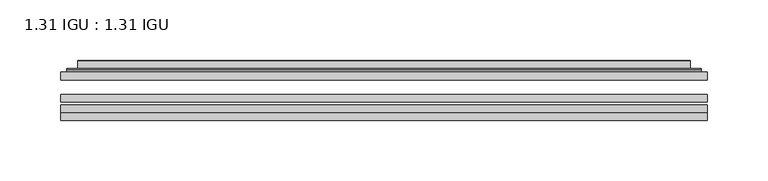
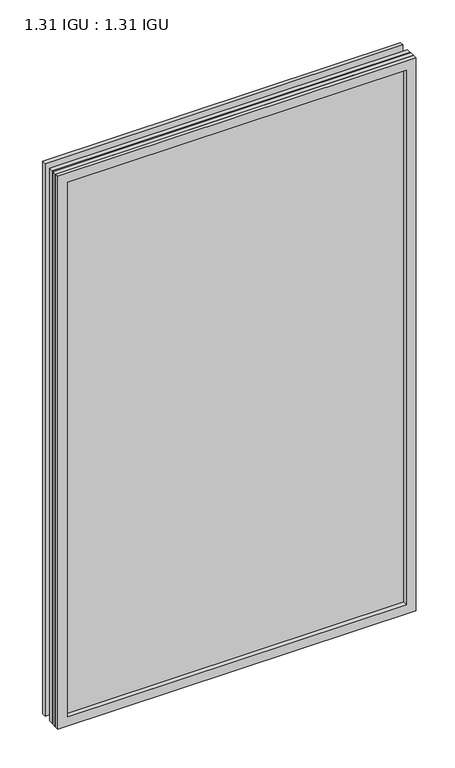
"""IFC4 building model written with IfcOpenShell, lengths in millimetres: plate geometry, 1.31 IGU : 1.31 IGU."""

from ifc_helpers import new_model, si_unit, frame, origin, place, context, project, spatial, polyline, ellipse_curve, outline, extrude, faceted_brep, source, transform, mapped, element, save
from ifc_brep_helpers import plane_surface, cylinder_surface, advanced_brep


def plate_1_31_igu_1_31_igu_18c5a5cc(model_context):
    return source(origin(), model_context, "Body", "SolidModel", [
        extrude(outline(polyline([(266.7139037, -63.2975937), (266.7139037, -69.6475938), (-266.6997287, -69.6475938), (-266.6997287, -63.2975937), (266.7139037, -63.2975937)])), frame((0.0, 0.0, -14.2875), z_axis=(0.0, 0.0, 1.0), x_axis=(1.0, 0.0, 0.0)), (0.0, 0.0, 1.0), 869.9537979),
        extrude(outline(polyline([(-266.6997287, -78.2835938), (-266.6997287, -71.9330887), (266.7139037, -71.9330887), (266.7139037, -78.2835938), (-266.6997287, -78.2835938)])), frame((0.0, 0.0, -14.2875), z_axis=(0.0, 0.0, 1.0), x_axis=(1.0, 0.0, 0.0)), (0.0, 0.0, 1.0), 869.9537979),
        extrude(outline(polyline([(266.7139037, -44.9587937), (266.7139037, -51.3087938), (-266.6997287, -51.3087938), (-266.6997287, -44.9587937), (266.7139037, -44.9587937)])), frame((0.0, 0.0, -14.2875), z_axis=(0.0, 0.0, 1.0), x_axis=(1.0, 0.0, 0.0)), (0.0, 0.0, 1.0), 869.9537979),
        faceted_brep([(-266.7124287, -84.6335937, 855.6752), (-266.7124287, -78.2835937, 855.6752), (-266.7124287, -78.2835937, -14.3002), (-266.7124287, -84.6335937, -14.3002), (266.7124287, -78.2835937, -14.3002), (266.7124287, -84.6335937, -14.3002), (266.7124287, -78.2835937, 855.6752), (266.7124287, -84.6335937, 855.6752), (-251.5144846, -78.2835937, 0.8977441), (251.5144846, -78.2835937, 0.8977441), (251.5144846, -78.2835937, 840.4772559), (-251.5144846, -78.2835937, 840.4772559), (-252.4069189, -84.6335937, 841.3696902), (252.4069189, -84.6335937, 841.3696902), (252.4069189, -84.6335937, 0.0053098), (-252.4069189, -84.6335937, 0.0053098)], [[[0, 1, 2, 3]], [[3, 2, 4, 5]], [[5, 4, 6, 7]], [[1, 6, 4, 2], [8, 9, 10, 11]], [[7, 6, 1, 0]], [[3, 5, 7, 0], [12, 13, 14, 15]], [[11, 12, 15, 8]], [[8, 15, 14, 9]], [[9, 14, 13, 10]], [[10, 13, 12, 11]]]),
        advanced_brep(
        [(-259.4584478, -44.9587937, 848.421219), (-261.8126531, -42.9691271, 850.7754244), (-261.8126531, -42.9691271, -9.4004244), (-259.4584478, -44.9587937, -7.046219), (-250.3841226, -41.1187568, 839.3468939), (-245.4492908, -44.9587937, 834.4120621), (-245.4492908, -44.9587937, 6.9629379), (-250.3841226, -41.1187568, 2.0281061), (-251.4161504, -35.7215256, 840.3789217), (-251.4161504, -35.7215256, 0.9960783), (-252.4068071, -35.3225507, 841.3695784), (-252.4068071, -35.3225507, 0.0054216), (-252.4068071, -41.7837937, 841.3695784), (-252.4068071, -41.7837937, 0.0054216), (-260.8108636, -41.7837937, 849.7736349), (-260.8108636, -41.7837937, -8.3986349), (261.8126531, -42.9691271, -9.4004244), (259.4584478, -44.9587937, -7.046219), (245.4492908, -44.9587937, 6.9629379), (250.3841226, -41.1187568, 2.0281061), (251.4161504, -35.7215256, 0.9960783), (252.4068071, -35.3225507, 0.0054216), (252.4068071, -41.7837937, 0.0054216), (260.8108636, -41.7837937, -8.3986349), (261.8126531, -42.9691271, 850.7754244), (259.4584478, -44.9587937, 848.421219), (245.4492908, -44.9587937, 834.4120621), (250.3841226, -41.1187568, 839.3468939), (251.4161504, -35.7215256, 840.3789217), (252.4068071, -35.3225507, 841.3695784), (252.4068071, -41.7837937, 841.3695784), (260.8108636, -41.7837937, 849.7736349)],
        [
            (0, 1, ellipse_curve(frame((-259.4584478, -42.5711937, 848.421219), z_axis=(-0.7071067811865475, 0.0, -0.7071067811865475), x_axis=(-0.7071067811865474, 0.0, 0.7071067811865476)), 3.3765763, 2.3876)),
            (1, 2),
            (2, 3, ellipse_curve(frame((-259.4584478, -42.5711937, -7.046219), z_axis=(-0.7071067811865475, 0.0, 0.7071067811865475), x_axis=(0.7071067811865474, 0.0, 0.7071067811865476)), 3.3765763, 2.3876)),
            (3, 0),
            (4, 5),
            (5, 6),
            (6, 7),
            (7, 4),
            (8, 4),
            (7, 9),
            (9, 8),
            (10, 8, ellipse_curve(frame((-252.0398506, -35.840786, 841.0026219), z_axis=(-0.7071067811865475, 0.0, -0.7071067811865475), x_axis=(-0.7071067811865474, 0.0, 0.7071067811865476)), 0.8980256, 0.635)),
            (9, 11, ellipse_curve(frame((-252.0398506, -35.840786, 0.3723781), z_axis=(-0.7071067811865475, 0.0, 0.7071067811865475), x_axis=(0.7071067811865474, 0.0, 0.7071067811865476)), 0.8980256, 0.635)),
            (11, 10),
            (12, 10),
            (11, 13),
            (13, 12),
            (1, 14, ellipse_curve(frame((-260.8108636, -42.7997937, 849.7736349), z_axis=(-0.7071067811865475, 0.0, -0.7071067811865475), x_axis=(-0.7071067811865474, 0.0, 0.7071067811865476)), 1.436841, 1.016)),
            (14, 15),
            (15, 2, ellipse_curve(frame((-260.8108636, -42.7997937, -8.3986349), z_axis=(-0.7071067811865475, 0.0, 0.7071067811865475), x_axis=(0.7071067811865474, 0.0, 0.7071067811865476)), 1.436841, 1.016)),
            (2, 16),
            (16, 17, ellipse_curve(frame((259.4584478, -42.5711937, -7.046219), z_axis=(-0.7071067811865475, 0.0, -0.7071067811865475), x_axis=(-0.7071067811865476, 0.0, 0.7071067811865474)), 3.3765763, 2.3876)),
            (17, 3),
            (6, 18),
            (18, 19),
            (19, 7),
            (19, 20),
            (20, 9),
            (20, 21, ellipse_curve(frame((252.0398506, -35.840786, 0.3723781), z_axis=(-0.7071067811865475, 0.0, -0.7071067811865475), x_axis=(-0.7071067811865476, 0.0, 0.7071067811865474)), 0.8980256, 0.635)),
            (21, 11),
            (21, 22),
            (22, 13),
            (15, 23),
            (23, 16, ellipse_curve(frame((260.8108636, -42.7997937, -8.3986349), z_axis=(-0.7071067811865475, 0.0, -0.7071067811865475), x_axis=(-0.7071067811865476, 0.0, 0.7071067811865474)), 1.436841, 1.016)),
            (16, 24),
            (24, 25, ellipse_curve(frame((259.4584478, -42.5711937, 848.421219), z_axis=(0.7071067811865475, 0.0, -0.7071067811865475), x_axis=(-0.7071067811865474, 0.0, -0.7071067811865476)), 3.3765763, 2.3876)),
            (25, 17),
            (18, 26),
            (26, 27),
            (27, 19),
            (27, 28),
            (28, 20),
            (28, 29, ellipse_curve(frame((252.0398506, -35.840786, 841.0026219), z_axis=(0.7071067811865475, 0.0, -0.7071067811865475), x_axis=(-0.7071067811865474, 0.0, -0.7071067811865476)), 0.8980256, 0.635)),
            (29, 21),
            (29, 30),
            (30, 22),
            (23, 31),
            (31, 24, ellipse_curve(frame((260.8108636, -42.7997937, 849.7736349), z_axis=(0.7071067811865475, 0.0, -0.7071067811865475), x_axis=(-0.7071067811865474, 0.0, -0.7071067811865476)), 1.436841, 1.016)),
            (24, 1),
            (0, 25),
            (5, 26),
            (4, 27),
            (8, 28),
            (10, 29),
            (12, 30),
            (14, 31),
        ],
        [
            cylinder_surface(frame((-259.4584478, -42.5711937, 873.125), z_axis=(0.0, 0.0, 1.0), x_axis=(-1.0, 0.0, 0.0)), 2.3876),
            plane_surface(frame((-245.4492908, -44.9587937, 834.4120621), z_axis=(0.6141233906514794, 0.7892100234124821, 0.0), x_axis=(0.0, 0.0, -1.0))),
            plane_surface(frame((-250.3841226, -41.1187568, 839.3468939), z_axis=(0.9822050625507729, 0.18781164793386076, 0.0), x_axis=(0.0, 0.0, -1.0))),
            cylinder_surface(frame((-252.0398506, -35.840786, 873.125), z_axis=(0.0, 0.0, 1.0), x_axis=(-1.0, 0.0, 0.0)), 0.635),
            plane_surface(frame((-252.4068071, -35.3225507, 841.3695784), z_axis=(-1.0, 0.0, 0.0), x_axis=(0.0, 0.0, -1.0))),
            cylinder_surface(frame((-260.8108636, -42.7997937, 873.125), z_axis=(0.0, 0.0, 1.0), x_axis=(-1.0, 0.0, 0.0)), 1.016),
            cylinder_surface(frame((-284.1622287, -42.5711937, -7.046219), z_axis=(-1.0, 0.0, 0.0), x_axis=(0.0, 0.0, -1.0)), 2.3876),
            plane_surface(frame((-245.4492908, -44.9587937, 6.9629379), z_axis=(0.0, 0.7892100234124841, 0.6141233906514768), x_axis=(1.0, 0.0, 0.0))),
            plane_surface(frame((-250.3841226, -41.1187568, 2.0281061), z_axis=(0.0, 0.18781164793386393, 0.9822050625507723), x_axis=(1.0, 0.0, 0.0))),
            cylinder_surface(frame((-284.1622287, -35.840786, 0.3723781), z_axis=(-1.0, 0.0, 0.0), x_axis=(0.0, 0.0, -1.0)), 0.635),
            plane_surface(frame((-252.4068071, -35.3225507, 0.0054216), z_axis=(0.0, 0.0, -1.0), x_axis=(1.0, 0.0, 0.0))),
            cylinder_surface(frame((-284.1622287, -42.7997937, -8.3986349), z_axis=(-1.0, 0.0, 0.0), x_axis=(0.0, 0.0, -1.0)), 1.016),
            cylinder_surface(frame((259.4584478, -42.5711937, -31.75), z_axis=(0.0, 0.0, -1.0), x_axis=(1.0, 0.0, 0.0)), 2.3876),
            plane_surface(frame((245.4492908, -44.9587937, 6.9629379), z_axis=(-0.6141233906514743, 0.7892100234124861, 0.0), x_axis=(0.0, 0.0, 1.0))),
            plane_surface(frame((250.3841226, -41.1187568, 2.0281061), z_axis=(-0.9822050625507718, 0.1878116479338671, 0.0), x_axis=(0.0, 0.0, 1.0))),
            cylinder_surface(frame((252.0398506, -35.840786, -31.75), z_axis=(0.0, 0.0, -1.0), x_axis=(1.0, 0.0, 0.0)), 0.635),
            plane_surface(frame((252.4068071, -35.3225507, 0.0054216), z_axis=(1.0, 0.0, 0.0), x_axis=(0.0, 0.0, 1.0))),
            cylinder_surface(frame((260.8108636, -42.7997937, -31.75), z_axis=(0.0, 0.0, -1.0), x_axis=(1.0, 0.0, 0.0)), 1.016),
            cylinder_surface(frame((284.1622287, -42.5711937, 848.421219), z_axis=(1.0, 0.0, 0.0), x_axis=(0.0, 0.0, 1.0)), 2.3876),
            plane_surface(frame((259.4584478, -44.9587937, 848.421219), z_axis=(0.0, -1.0, 0.0), x_axis=(-1.0, 0.0, 0.0))),
            plane_surface(frame((245.4492908, -44.9587937, 834.4120621), z_axis=(0.0, 0.7892100234124841, -0.6141233906514768), x_axis=(-1.0, 0.0, 0.0))),
            plane_surface(frame((250.3841226, -41.1187568, 839.3468939), z_axis=(0.0, 0.18781164793386393, -0.9822050625507723), x_axis=(-1.0, 0.0, 0.0))),
            cylinder_surface(frame((284.1622287, -35.840786, 841.0026219), z_axis=(1.0, 0.0, 0.0), x_axis=(0.0, 0.0, 1.0)), 0.635),
            plane_surface(frame((252.4068071, -35.3225507, 841.3695784), z_axis=(0.0, 0.0, 1.0), x_axis=(-1.0, 0.0, 0.0))),
            plane_surface(frame((252.4068071, -41.7837937, 841.3695784), z_axis=(0.0, 1.0, 0.0), x_axis=(-1.0, 0.0, 0.0))),
            cylinder_surface(frame((284.1622287, -42.7997937, 849.7736349), z_axis=(1.0, 0.0, 0.0), x_axis=(0.0, 0.0, 1.0)), 1.016),
        ],
        [
            (0, [[1, 2, 3, 4]]),
            (1, [[5, 6, 7, 8]]),
            (2, [[9, -8, 10, 11]]),
            (3, [[12, -11, 13, 14]]),
            (4, [[15, -14, 16, 17]]),
            (5, [[18, 19, 20, -2]]),
            (6, [[-3, 21, 22, 23]]),
            (7, [[-7, 24, 25, 26]]),
            (8, [[-10, -26, 27, 28]]),
            (9, [[-13, -28, 29, 30]]),
            (10, [[-16, -30, 31, 32]]),
            (11, [[-20, 33, 34, -21]]),
            (12, [[-22, 35, 36, 37]]),
            (13, [[-25, 38, 39, 40]]),
            (14, [[-27, -40, 41, 42]]),
            (15, [[-29, -42, 43, 44]]),
            (16, [[-31, -44, 45, 46]]),
            (17, [[-34, 47, 48, -35]]),
            (18, [[-36, 49, -1, 50]]),
            (19, [[-23, -37, -50, -4], [51, -38, -24, -6]]),
            (20, [[-39, -51, -5, 52]]),
            (21, [[-41, -52, -9, 53]]),
            (22, [[-43, -53, -12, 54]]),
            (23, [[-45, -54, -15, 55]]),
            (24, [[56, -47, -33, -19], [-32, -46, -55, -17]]),
            (25, [[-48, -56, -18, -49]]),
        ],
    ),
    ])


if __name__ == "__main__":
    model = new_model("IFC4")
    model_context = context("Model", 3, world=origin())
    ifc_project = project(units=[si_unit("LENGTHUNIT", "METRE", prefix="MILLI")], contexts=[model_context])
    site = spatial("IfcSite", under=ifc_project)
    building = spatial("IfcBuilding", under=site)
    placement = place(None, origin())
    plate_1_31_igu_1_31_igu_shape = plate_1_31_igu_1_31_igu_18c5a5cc(model_context)
    element("IfcPlate", 1, ObjectType="1.31 IGU : 1.31 IGU", at=placement, inside=building, context=model_context, shape_type="MappedRepresentation", body=[
        mapped(plate_1_31_igu_1_31_igu_shape, transform((0.0, 0.0, 0.0), x_axis=(1.0, 0.0, 0.0), y_axis=(0.0, 1.0, 0.0), z_axis=(0.0, 0.0, 1.0))),
    ])
    save(model, "model.ifc")
